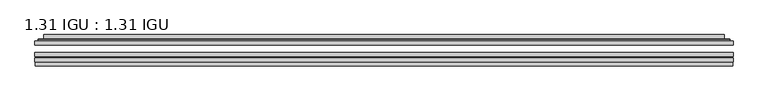
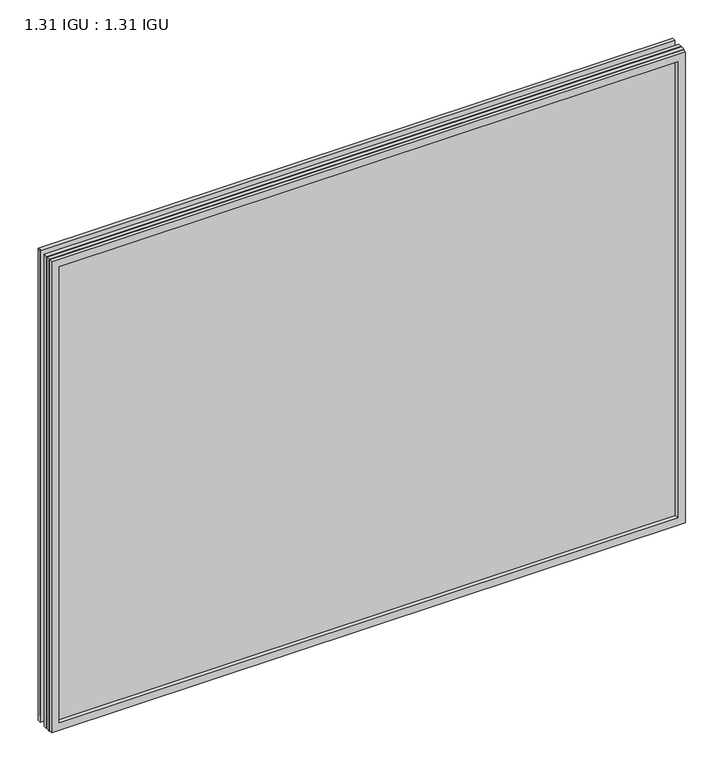
"""IFC4 building model written with IfcOpenShell, lengths in millimetres: plate geometry, 1.31 IGU : 1.31 IGU."""

from ifc_helpers import new_model, si_unit, frame, origin, place, context, project, spatial, polyline, ellipse_curve, outline, extrude, faceted_brep, source, transform, mapped, element, save
from ifc_brep_helpers import plane_surface, cylinder_surface, advanced_brep


def plate_1_31_igu_1_31_igu_046674ad(model_context):
    return source(origin(), model_context, "Body", "SolidModel", [
        extrude(outline(polyline([(554.05485, -63.59525), (554.05485, -69.94525), (-554.040675, -69.94525), (-554.040675, -63.59525), (554.05485, -63.59525)])), frame((0.0, 0.0, -14.2875), z_axis=(0.0, 0.0, 1.0), x_axis=(1.0, 0.0, 0.0)), (0.0, 0.0, 1.0), 869.9537979),
        extrude(outline(polyline([(-554.040675, -78.58125), (-554.040675, -72.230745), (554.05485, -72.230745), (554.05485, -78.58125), (-554.040675, -78.58125)])), frame((0.0, 0.0, -14.2875), z_axis=(0.0, 0.0, 1.0), x_axis=(1.0, 0.0, 0.0)), (0.0, 0.0, 1.0), 869.9537979),
        extrude(outline(polyline([(554.05485, -45.25645), (554.05485, -51.60645), (-554.040675, -51.60645), (-554.040675, -45.25645), (554.05485, -45.25645)])), frame((0.0, 0.0, -14.2875), z_axis=(0.0, 0.0, 1.0), x_axis=(1.0, 0.0, 0.0)), (0.0, 0.0, 1.0), 869.9537979),
        faceted_brep([(-553.3404892, -84.93125, 854.9623142), (-553.3404892, -78.58125, 854.9623142), (-553.3404892, -78.58125, -13.5873142), (-553.3404892, -84.93125, -13.5873142), (553.3404892, -78.58125, -13.5873142), (553.3404892, -84.93125, -13.5873142), (553.3404892, -78.58125, 854.9623142), (553.3404892, -84.93125, 854.9623142), (-538.8554309, -78.58125, 0.8977441), (538.8554309, -78.58125, 0.8977441), (538.8554309, -78.58125, 840.4772559), (-538.8554309, -78.58125, 840.4772559), (-539.7478652, -84.93125, 841.3696902), (539.7478652, -84.93125, 841.3696902), (539.7478652, -84.93125, 0.0053098), (-539.7478652, -84.93125, 0.0053098)], [[[0, 1, 2, 3]], [[3, 2, 4, 5]], [[5, 4, 6, 7]], [[1, 6, 4, 2], [8, 9, 10, 11]], [[7, 6, 1, 0]], [[3, 5, 7, 0], [12, 13, 14, 15]], [[11, 12, 15, 8]], [[8, 15, 14, 9]], [[9, 14, 13, 10]], [[10, 13, 12, 11]]]),
        advanced_brep(
        [(-546.799394, -45.25645, 848.4212191), (-549.1535994, -43.2667833, 850.7754244), (-549.1535994, -43.2667833, -9.4004244), (-546.799394, -45.25645, -7.046219), (-537.7250689, -41.416413, 839.3468939), (-532.7902371, -45.25645, 834.4120621), (-532.7902371, -45.25645, 6.9629379), (-537.7250689, -41.416413, 2.0281061), (-538.7570967, -36.0191819, 840.3789217), (-538.7570967, -36.0191819, 0.9960783), (-539.7477534, -35.6202069, 841.3695784), (-539.7477534, -35.6202069, 0.0054216), (-539.7477534, -42.08145, 841.3695784), (-539.7477534, -42.08145, 0.0054216), (-548.1518099, -42.08145, 849.7736349), (-548.1518099, -42.08145, -8.3986349), (549.1535994, -43.2667833, -9.4004244), (546.799394, -45.25645, -7.046219), (532.7902371, -45.25645, 6.9629379), (537.7250689, -41.416413, 2.0281061), (538.7570967, -36.0191819, 0.9960783), (539.7477534, -35.6202069, 0.0054216), (539.7477534, -42.08145, 0.0054216), (548.1518099, -42.08145, -8.3986349), (549.1535994, -43.2667833, 850.7754244), (546.799394, -45.25645, 848.4212191), (532.7902371, -45.25645, 834.4120621), (537.7250689, -41.416413, 839.3468939), (538.7570967, -36.0191819, 840.3789217), (539.7477534, -35.6202069, 841.3695784), (539.7477534, -42.08145, 841.3695784), (548.1518099, -42.08145, 849.7736349)],
        [
            (0, 1, ellipse_curve(frame((-546.799394, -42.86885, 848.4212191), z_axis=(-0.7071067811865475, 0.0, -0.7071067811865475), x_axis=(-0.7071067811865474, 0.0, 0.7071067811865476)), 3.3765763, 2.3876)),
            (1, 2),
            (2, 3, ellipse_curve(frame((-546.799394, -42.86885, -7.046219), z_axis=(-0.7071067811865475, 0.0, 0.7071067811865475), x_axis=(0.7071067811865474, 0.0, 0.7071067811865476)), 3.3765763, 2.3876)),
            (3, 0),
            (4, 5),
            (5, 6),
            (6, 7),
            (7, 4),
            (8, 4),
            (7, 9),
            (9, 8),
            (10, 8, ellipse_curve(frame((-539.3807969, -36.1384423, 841.0026219), z_axis=(-0.7071067811865475, 0.0, -0.7071067811865475), x_axis=(-0.7071067811865474, 0.0, 0.7071067811865476)), 0.8980256, 0.635)),
            (9, 11, ellipse_curve(frame((-539.3807969, -36.1384423, 0.3723781), z_axis=(-0.7071067811865475, 0.0, 0.7071067811865475), x_axis=(0.7071067811865474, 0.0, 0.7071067811865476)), 0.8980256, 0.635)),
            (11, 10),
            (12, 10),
            (11, 13),
            (13, 12),
            (1, 14, ellipse_curve(frame((-548.1518099, -43.09745, 849.7736349), z_axis=(-0.7071067811865475, 0.0, -0.7071067811865475), x_axis=(-0.7071067811865474, 0.0, 0.7071067811865476)), 1.436841, 1.016)),
            (14, 15),
            (15, 2, ellipse_curve(frame((-548.1518099, -43.09745, -8.3986349), z_axis=(-0.7071067811865475, 0.0, 0.7071067811865475), x_axis=(0.7071067811865474, 0.0, 0.7071067811865476)), 1.436841, 1.016)),
            (2, 16),
            (16, 17, ellipse_curve(frame((546.799394, -42.86885, -7.046219), z_axis=(-0.7071067811865475, 0.0, -0.7071067811865475), x_axis=(-0.7071067811865476, 0.0, 0.7071067811865474)), 3.3765763, 2.3876)),
            (17, 3),
            (6, 18),
            (18, 19),
            (19, 7),
            (19, 20),
            (20, 9),
            (20, 21, ellipse_curve(frame((539.3807969, -36.1384423, 0.3723781), z_axis=(-0.7071067811865475, 0.0, -0.7071067811865475), x_axis=(-0.7071067811865476, 0.0, 0.7071067811865474)), 0.8980256, 0.635)),
            (21, 11),
            (21, 22),
            (22, 13),
            (15, 23),
            (23, 16, ellipse_curve(frame((548.1518099, -43.09745, -8.3986349), z_axis=(-0.7071067811865475, 0.0, -0.7071067811865475), x_axis=(-0.7071067811865476, 0.0, 0.7071067811865474)), 1.436841, 1.016)),
            (16, 24),
            (24, 25, ellipse_curve(frame((546.799394, -42.86885, 848.4212191), z_axis=(0.7071067811865475, 0.0, -0.7071067811865475), x_axis=(-0.7071067811865474, 0.0, -0.7071067811865476)), 3.3765763, 2.3876)),
            (25, 17),
            (18, 26),
            (26, 27),
            (27, 19),
            (27, 28),
            (28, 20),
            (28, 29, ellipse_curve(frame((539.3807969, -36.1384423, 841.0026219), z_axis=(0.7071067811865475, 0.0, -0.7071067811865475), x_axis=(-0.7071067811865474, 0.0, -0.7071067811865476)), 0.8980256, 0.635)),
            (29, 21),
            (29, 30),
            (30, 22),
            (23, 31),
            (31, 24, ellipse_curve(frame((548.1518099, -43.09745, 849.7736349), z_axis=(0.7071067811865475, 0.0, -0.7071067811865475), x_axis=(-0.7071067811865474, 0.0, -0.7071067811865476)), 1.436841, 1.016)),
            (24, 1),
            (0, 25),
            (5, 26),
            (4, 27),
            (8, 28),
            (10, 29),
            (12, 30),
            (14, 31),
        ],
        [
            cylinder_surface(frame((-546.799394, -42.86885, 873.125), z_axis=(0.0, 0.0, 1.0), x_axis=(-1.0, 0.0, 0.0)), 2.3876),
            plane_surface(frame((-532.7902371, -45.25645, 834.4120621), z_axis=(0.6141233906514794, 0.7892100234124821, 0.0), x_axis=(0.0, 0.0, -1.0))),
            plane_surface(frame((-537.7250689, -41.416413, 839.3468939), z_axis=(0.9822050625507729, 0.18781164793386076, 0.0), x_axis=(0.0, 0.0, -1.0))),
            cylinder_surface(frame((-539.3807969, -36.1384423, 873.125), z_axis=(0.0, 0.0, 1.0), x_axis=(-1.0, 0.0, 0.0)), 0.635),
            plane_surface(frame((-539.7477534, -35.6202069, 841.3695784), z_axis=(-1.0, 0.0, 0.0), x_axis=(0.0, 0.0, -1.0))),
            cylinder_surface(frame((-548.1518099, -43.09745, 873.125), z_axis=(0.0, 0.0, 1.0), x_axis=(-1.0, 0.0, 0.0)), 1.016),
            cylinder_surface(frame((-571.503175, -42.86885, -7.046219), z_axis=(-1.0, 0.0, 0.0), x_axis=(0.0, 0.0, -1.0)), 2.3876),
            plane_surface(frame((-532.7902371, -45.25645, 6.9629379), z_axis=(0.0, 0.7892100234124841, 0.6141233906514768), x_axis=(1.0, 0.0, 0.0))),
            plane_surface(frame((-537.7250689, -41.416413, 2.0281061), z_axis=(0.0, 0.18781164793386393, 0.9822050625507723), x_axis=(1.0, 0.0, 0.0))),
            cylinder_surface(frame((-571.503175, -36.1384423, 0.3723781), z_axis=(-1.0, 0.0, 0.0), x_axis=(0.0, 0.0, -1.0)), 0.635),
            plane_surface(frame((-539.7477534, -35.6202069, 0.0054216), z_axis=(0.0, 0.0, -1.0), x_axis=(1.0, 0.0, 0.0))),
            cylinder_surface(frame((-571.503175, -43.09745, -8.3986349), z_axis=(-1.0, 0.0, 0.0), x_axis=(0.0, 0.0, -1.0)), 1.016),
            cylinder_surface(frame((546.799394, -42.86885, -31.75), z_axis=(0.0, 0.0, -1.0), x_axis=(1.0, 0.0, 0.0)), 2.3876),
            plane_surface(frame((532.7902371, -45.25645, 6.9629379), z_axis=(-0.6141233906514743, 0.7892100234124861, 0.0), x_axis=(0.0, 0.0, 1.0))),
            plane_surface(frame((537.7250689, -41.416413, 2.0281061), z_axis=(-0.9822050625507718, 0.1878116479338671, 0.0), x_axis=(0.0, 0.0, 1.0))),
            cylinder_surface(frame((539.3807969, -36.1384423, -31.75), z_axis=(0.0, 0.0, -1.0), x_axis=(1.0, 0.0, 0.0)), 0.635),
            plane_surface(frame((539.7477534, -35.6202069, 0.0054216), z_axis=(1.0, 0.0, 0.0), x_axis=(0.0, 0.0, 1.0))),
            cylinder_surface(frame((548.1518099, -43.09745, -31.75), z_axis=(0.0, 0.0, -1.0), x_axis=(1.0, 0.0, 0.0)), 1.016),
            cylinder_surface(frame((571.503175, -42.86885, 848.4212191), z_axis=(1.0, 0.0, 0.0), x_axis=(0.0, 0.0, 1.0)), 2.3876),
            plane_surface(frame((546.799394, -45.25645, 848.4212191), z_axis=(0.0, -1.0, 0.0), x_axis=(-1.0, 0.0, 0.0))),
            plane_surface(frame((532.7902371, -45.25645, 834.4120621), z_axis=(0.0, 0.7892100234124841, -0.6141233906514768), x_axis=(-1.0, 0.0, 0.0))),
            plane_surface(frame((537.7250689, -41.416413, 839.3468939), z_axis=(0.0, 0.18781164793386393, -0.9822050625507723), x_axis=(-1.0, 0.0, 0.0))),
            cylinder_surface(frame((571.503175, -36.1384423, 841.0026219), z_axis=(1.0, 0.0, 0.0), x_axis=(0.0, 0.0, 1.0)), 0.635),
            plane_surface(frame((539.7477534, -35.6202069, 841.3695784), z_axis=(0.0, 0.0, 1.0), x_axis=(-1.0, 0.0, 0.0))),
            plane_surface(frame((539.7477534, -42.08145, 841.3695784), z_axis=(0.0, 1.0, 0.0), x_axis=(-1.0, 0.0, 0.0))),
            cylinder_surface(frame((571.503175, -43.09745, 849.7736349), z_axis=(1.0, 0.0, 0.0), x_axis=(0.0, 0.0, 1.0)), 1.016),
        ],
        [
            (0, [[1, 2, 3, 4]]),
            (1, [[5, 6, 7, 8]]),
            (2, [[9, -8, 10, 11]]),
            (3, [[12, -11, 13, 14]]),
            (4, [[15, -14, 16, 17]]),
            (5, [[18, 19, 20, -2]]),
            (6, [[-3, 21, 22, 23]]),
            (7, [[-7, 24, 25, 26]]),
            (8, [[-10, -26, 27, 28]]),
            (9, [[-13, -28, 29, 30]]),
            (10, [[-16, -30, 31, 32]]),
            (11, [[-20, 33, 34, -21]]),
            (12, [[-22, 35, 36, 37]]),
            (13, [[-25, 38, 39, 40]]),
            (14, [[-27, -40, 41, 42]]),
            (15, [[-29, -42, 43, 44]]),
            (16, [[-31, -44, 45, 46]]),
            (17, [[-34, 47, 48, -35]]),
            (18, [[-36, 49, -1, 50]]),
            (19, [[-23, -37, -50, -4], [51, -38, -24, -6]]),
            (20, [[-39, -51, -5, 52]]),
            (21, [[-41, -52, -9, 53]]),
            (22, [[-43, -53, -12, 54]]),
            (23, [[-45, -54, -15, 55]]),
            (24, [[56, -47, -33, -19], [-32, -46, -55, -17]]),
            (25, [[-48, -56, -18, -49]]),
        ],
    ),
    ])


if __name__ == "__main__":
    model = new_model("IFC4")
    model_context = context("Model", 3, world=origin())
    ifc_project = project(units=[si_unit("LENGTHUNIT", "METRE", prefix="MILLI")], contexts=[model_context])
    site = spatial("IfcSite", under=ifc_project)
    building = spatial("IfcBuilding", under=site)
    placement = place(None, origin())
    plate_1_31_igu_1_31_igu_shape = plate_1_31_igu_1_31_igu_046674ad(model_context)
    element("IfcPlate", 1, ObjectType="1.31 IGU : 1.31 IGU", at=placement, inside=building, context=model_context, shape_type="MappedRepresentation", body=[
        mapped(plate_1_31_igu_1_31_igu_shape, transform((0.0, 0.0, 0.0), x_axis=(1.0, 0.0, 0.0), y_axis=(0.0, 1.0, 0.0), z_axis=(0.0, 0.0, 1.0))),
    ])
    save(model, "model.ifc")
